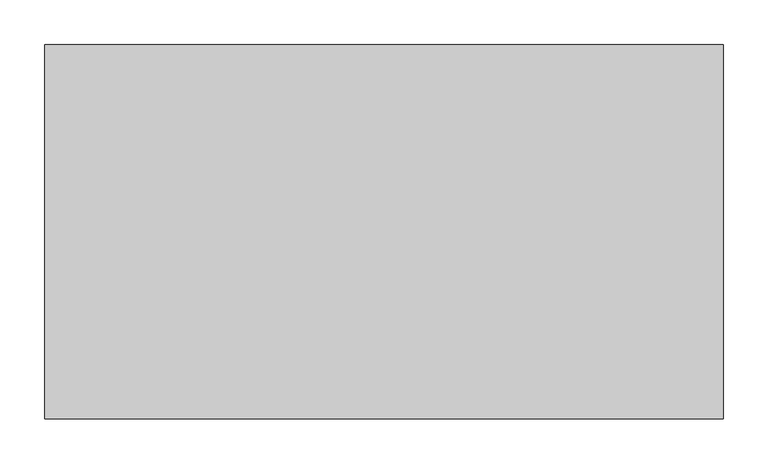
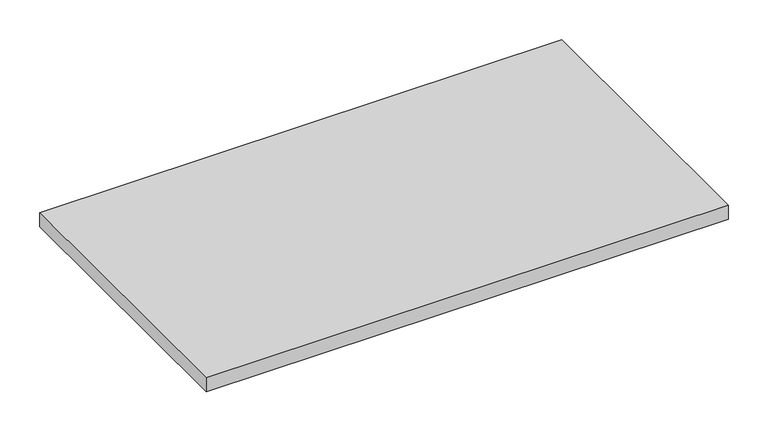
"""IFC4 building model written with IfcOpenShell, lengths in millimetres: furniture geometry."""

from ifc_helpers import new_model, si_unit, frame, origin, place, context, project, spatial, polyline, outline, extrude, source, transform, mapped, element, save


def furniture_8f357688(model_context):
    return source(origin(), model_context, "Body", "SweptSolid", [
        extrude(outline(polyline([(762.0, -0.254), (762.0, -419.1), (3.4290001, -419.1), (3.4290001, -0.254), (762.0, -0.254)])), frame((0.0, 0.0, 558.9269999), z_axis=(0.0, 0.0, 1.0), x_axis=(1.0, 0.0, 0.0)), (0.0, 0.0, 1.0), 21.4630008),
    ])


if __name__ == "__main__":
    model = new_model("IFC4")
    model_context = context("Model", 3, world=origin())
    ifc_project = project(units=[si_unit("LENGTHUNIT", "METRE", prefix="MILLI")], contexts=[model_context])
    site = spatial("IfcSite", under=ifc_project)
    building = spatial("IfcBuilding", under=site)
    placement = place(None, origin())
    furniture_shape = furniture_8f357688(model_context)
    element("IfcFurniture", 1, at=placement, inside=building, context=model_context, shape_type="MappedRepresentation", body=[
        mapped(furniture_shape, transform((0.0, 0.0, 0.0), x_axis=(1.0, 0.0, 0.0), y_axis=(0.0, 1.0, 0.0), z_axis=(0.0, 0.0, 1.0))),
    ])
    save(model, "model.ifc")
